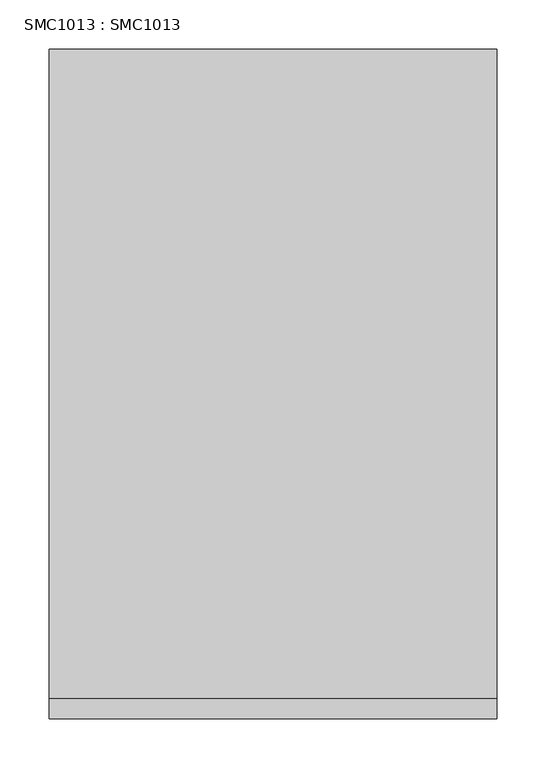
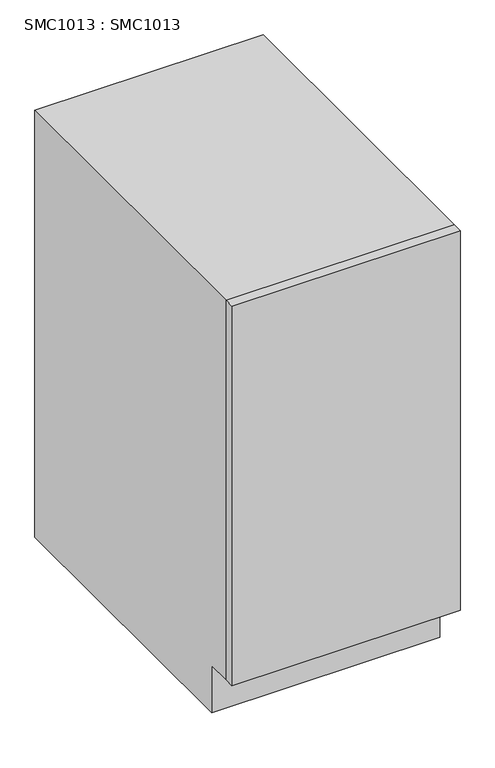
"""IFC4 building model written with IfcOpenShell, lengths in millimetres: proxy geometry, SMC1013 : SMC1013."""

from ifc_helpers import new_model, si_unit, frame, origin, place, context, project, spatial, polyline, outline, extrude, source, transform, mapped, element, save


def smc1013_smc1013_1d900953(model_context):
    return source(origin(), model_context, "Body", "SweptSolid", [
        extrude(outline(polyline([(454.9999889, -659.9999853), (454.9999889, -680.0), (0.0, -680.0), (0.0, -659.9999853), (454.9999889, -659.9999853)])), frame((0.0, 0.0, 100.0000008), z_axis=(0.0, 0.0, 1.0), x_axis=(1.0, 0.0, 0.0)), (0.0, 0.0, 1.0), 800.0000061),
        extrude(outline(polyline([(0.0, 900.0000069), (0.0, 0.0), (-609.9999849, 0.0), (-609.9999849, 100.0000008), (-659.9999853, 100.0000008), (-659.9999853, 900.0000069), (0.0, 900.0000069)])), frame((0.0, 0.0, 0.0), z_axis=(1.0, 0.0, 0.0), x_axis=(0.0, 1.0, 0.0)), (0.0, 0.0, 1.0), 454.9999889),
    ])


if __name__ == "__main__":
    model = new_model("IFC4")
    model_context = context("Model", 3, world=origin())
    ifc_project = project(units=[si_unit("LENGTHUNIT", "METRE", prefix="MILLI")], contexts=[model_context])
    site = spatial("IfcSite", under=ifc_project)
    building = spatial("IfcBuilding", under=site)
    placement = place(None, origin())
    smc1013_smc1013_shape = smc1013_smc1013_1d900953(model_context)
    element("IfcBuildingElementProxy", 1, Name="SMC1013 : SMC1013", ObjectType="SMC1013 : SMC1013", at=placement, inside=building, context=model_context, shape_type="MappedRepresentation", body=[
        mapped(smc1013_smc1013_shape, transform((0.0, 0.0, 0.0), x_axis=(1.0, 0.0, 0.0), y_axis=(0.0, 1.0, 0.0), z_axis=(0.0, 0.0, 1.0))),
    ])
    save(model, "model.ifc")
